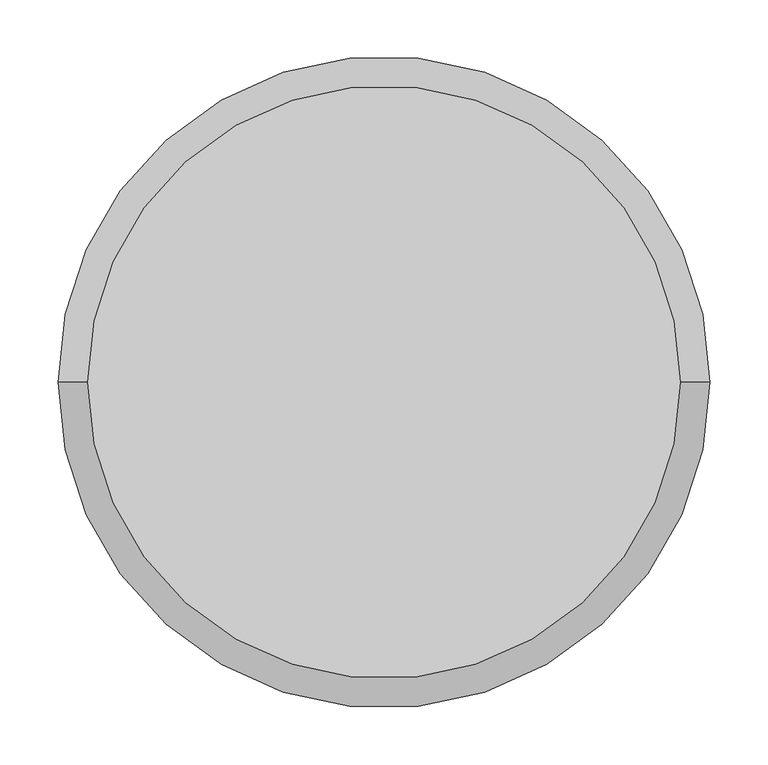
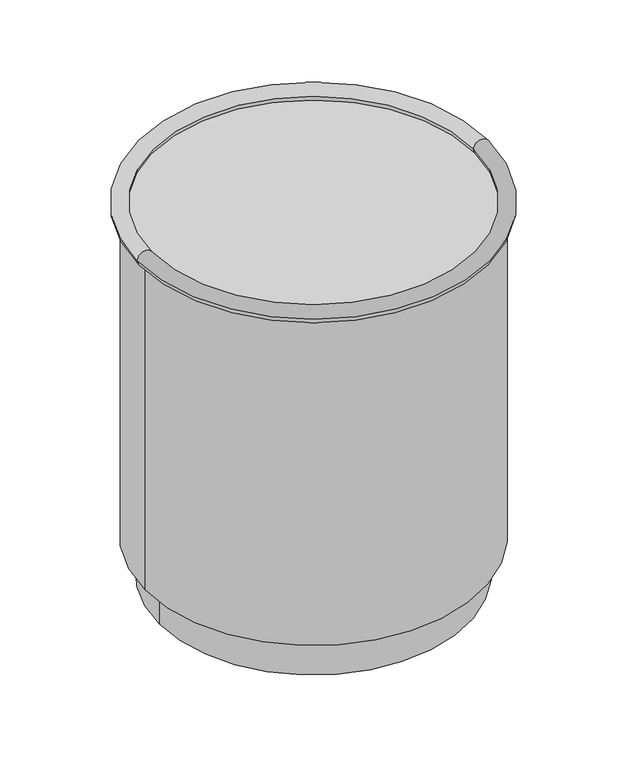
"""IFC4 building model written with IfcOpenShell, lengths in millimetres: furniture geometry."""

from ifc_helpers import new_model, si_unit, point, frame, origin, origin_with_axes, origin_2d, place, context, project, spatial, polyline, circle_curve, ellipse_curve, trimmed, segment, composite_curve, outline, extrude, source, transform, mapped, element, save
from ifc_brep_helpers import plane_surface, cylinder_surface, revolved_surface, advanced_brep


def furniture_e0415cc3(model_context):
    return source(origin(), model_context, "Body", "SolidModel", [
        extrude(outline(composite_curve([segment(trimmed(circle_curve(origin_2d(), 265.0), [point((-265.0, 0.0))], [point((265.0, 0.0))], False, "CARTESIAN"), True, "CONTINUOUS"), segment(trimmed(circle_curve(origin_2d(), 265.0), [point((265.0, 0.0))], [point((-265.0, 0.0))], False, "CARTESIAN"), True, "CONTINUOUS")], self_intersect=False)), frame((0.0, 0.0, 606.9604657), z_axis=(0.0, 0.0, 1.0), x_axis=(1.0, 0.0, 0.0)), (0.0, 0.0, 1.0), 3.0),
        advanced_brep(
        [(254.7977029, 0.0, 622.4488709), (-254.7977029, 0.0, 622.4488709), (-279.7745131, 0.0, 622.4488709), (279.7745131, 0.0, 622.4488709)],
        [
            (0, 1, circle_curve(frame((0.0, 0.0, 622.4488709), z_axis=(0.0, 0.0, -1.0), x_axis=(-1.0, 0.0, 0.0)), 254.7977029)),
            (1, 2, circle_curve(frame((-267.286108, 0.0, 622.4488709), z_axis=(0.0, -1.0, 0.0), x_axis=(1.0, 0.0, 0.0)), 12.4884051)),
            (2, 3, circle_curve(frame((0.0, 0.0, 622.4488709), z_axis=(0.0, 0.0, 1.0), x_axis=(-1.0, 0.0, 0.0)), 279.7745131)),
            (3, 0, circle_curve(frame((267.286108, 0.0, 622.4488709), z_axis=(0.0, -1.0, 0.0), x_axis=(-1.0, 0.0, 0.0)), 12.4884051)),
            (2, 1, circle_curve(frame((-267.286108, 0.0, 622.4488709), z_axis=(0.0, -1.0, 0.0), x_axis=(1.0, 0.0, 0.0)), 12.4884051)),
            (0, 3, circle_curve(frame((267.286108, 0.0, 622.4488709), z_axis=(0.0, -1.0, 0.0), x_axis=(-1.0, 0.0, 0.0)), 12.4884051)),
            (1, 0, circle_curve(frame((0.0, 0.0, 622.4488709), z_axis=(0.0, 0.0, -1.0), x_axis=(1.0, 0.0, 0.0)), 254.7977029)),
            (3, 2, circle_curve(frame((0.0, 0.0, 622.4488709), z_axis=(0.0, 0.0, 1.0), x_axis=(1.0, 0.0, 0.0)), 279.7745131)),
        ],
        [
            revolved_surface(trimmed(ellipse_curve(frame((-267.286108, 0.0, 622.4488709), z_axis=(0.0, 1.0, 0.0), x_axis=(1.0, 0.0, 0.0)), 12.4884051, 12.4884051), [point((-279.7745131, 0.0, 622.4488709))], [point((-254.7977029, 0.0, 622.4488709))], True, "CARTESIAN"), (0.0, 0.0, 0.0), (0.0, 0.0, 1.0)),
            revolved_surface(trimmed(ellipse_curve(frame((-267.286108, 0.0, 622.4488709), z_axis=(0.0, 1.0, 0.0), x_axis=(1.0, 0.0, 0.0)), 12.4884051, 12.4884051), [point((-254.7977029, 0.0, 622.4488709))], [point((-279.7745131, 0.0, 622.4488709))], True, "CARTESIAN"), (0.0, 0.0, 0.0), (0.0, 0.0, 1.0)),
            revolved_surface(trimmed(ellipse_curve(frame((267.286108, 0.0, 622.4488709), z_axis=(0.0, -1.0, 0.0), x_axis=(-1.0, 0.0, 0.0)), 12.4884051, 12.4884051), [point((279.7745131, 0.0, 622.4488709))], [point((254.7977029, 0.0, 622.4488709))], True, "CARTESIAN"), (0.0, 0.0, 0.0), (0.0, 0.0, 1.0)),
            revolved_surface(trimmed(ellipse_curve(frame((267.286108, 0.0, 622.4488709), z_axis=(0.0, -1.0, 0.0), x_axis=(-1.0, 0.0, 0.0)), 12.4884051, 12.4884051), [point((254.7977029, 0.0, 622.4488709))], [point((279.7745131, 0.0, 622.4488709))], True, "CARTESIAN"), (0.0, 0.0, 0.0), (0.0, 0.0, 1.0)),
        ],
        [
            (0, [[1, 2, 3, 4]]),
            (1, [[-3, 5, -1, 6]]),
            (2, [[7, -4, 8, -2]]),
            (3, [[-8, -6, -7, -5]]),
        ],
    ),
        advanced_brep(
        [(-267.5, 0.0, 609.9604657), (267.5, 0.0, 609.9604657), (-264.5, 0.0, 609.9604657), (264.5, 0.0, 609.9604657), (-267.5, 0.0, 65.0726673), (267.5, 0.0, 65.0726673), (245.0, 0.0, 65.0726673), (-245.0, 0.0, 65.0726673), (-264.5, 0.0, 68.0726673), (264.5, 0.0, 68.0726673), (-245.0, 0.0, 0.0), (245.0, 0.0, 0.0)],
        [
            (0, 1, circle_curve(frame((0.0, 0.0, 609.9604657), z_axis=(0.0, 0.0, 1.0), x_axis=(1.0, 0.0, 0.0)), 267.5)),
            (1, 0, circle_curve(frame((0.0, 0.0, 609.9604657), z_axis=(0.0, 0.0, 1.0), x_axis=(1.0, 0.0, 0.0)), 267.5)),
            (2, 3, circle_curve(frame((0.0, 0.0, 609.9604657), z_axis=(0.0, 0.0, -1.0), x_axis=(1.0, 0.0, 0.0)), 264.5)),
            (3, 2, circle_curve(frame((0.0, 0.0, 609.9604657), z_axis=(0.0, 0.0, -1.0), x_axis=(1.0, 0.0, 0.0)), 264.5)),
            (4, 5, circle_curve(frame((0.0, 0.0, 65.0726673), z_axis=(0.0, 0.0, -1.0), x_axis=(1.0, 0.0, 0.0)), 267.5)),
            (5, 4, circle_curve(frame((0.0, 0.0, 65.0726673), z_axis=(0.0, 0.0, -1.0), x_axis=(1.0, 0.0, 0.0)), 267.5)),
            (6, 7, circle_curve(frame((0.0, 0.0, 65.0726673), z_axis=(0.0, 0.0, 1.0), x_axis=(1.0, 0.0, 0.0)), 245.0)),
            (7, 6, circle_curve(frame((0.0, 0.0, 65.0726673), z_axis=(0.0, 0.0, 1.0), x_axis=(1.0, 0.0, 0.0)), 245.0)),
            (0, 4),
            (5, 1),
            (2, 8),
            (8, 9, circle_curve(frame((0.0, 0.0, 68.0726673), z_axis=(0.0, 0.0, -1.0), x_axis=(1.0, 0.0, 0.0)), 264.5)),
            (9, 3),
            (9, 8, circle_curve(frame((0.0, 0.0, 68.0726673), z_axis=(0.0, 0.0, -1.0), x_axis=(1.0, 0.0, 0.0)), 264.5)),
            (10, 11, circle_curve(frame((0.0, 0.0, 0.0), z_axis=(0.0, 0.0, -1.0), x_axis=(1.0, 0.0, 0.0)), 245.0)),
            (11, 10, circle_curve(frame((0.0, 0.0, 0.0), z_axis=(0.0, 0.0, -1.0), x_axis=(1.0, 0.0, 0.0)), 245.0)),
            (10, 7),
            (6, 11),
        ],
        [
            plane_surface(frame((267.5, 0.0, 609.9604657), z_axis=(0.0, 0.0, 1.0), x_axis=(0.0, 1.0, 0.0))),
            plane_surface(frame((267.5, 0.0, 65.0726673), z_axis=(0.0, 0.0, -1.0), x_axis=(0.0, -1.0, 0.0))),
            cylinder_surface(frame((0.0, 0.0, 65.0726673), z_axis=(0.0, 0.0, 1.0), x_axis=(1.0, 0.0, 0.0)), 267.5),
            revolved_surface(polyline([(264.5, 0.0, 68.0726673), (264.5, 0.0, 609.9604657)]), (0.0, 0.0, 0.0), (0.0, 0.0, -1.0)),
            plane_surface(frame((264.5, 0.0, 68.0726673), z_axis=(0.0, 0.0, 1.0), x_axis=(0.0, 1.0, 0.0))),
            plane_surface(frame((245.0, 0.0, 0.0), z_axis=(0.0, 0.0, -1.0), x_axis=(0.0, -1.0, 0.0))),
            cylinder_surface(origin_with_axes(), 245.0),
        ],
        [
            (0, [[1, 2], [3, 4]]),
            (1, [[5, 6], [7, 8]]),
            (2, [[-1, 9, -6, 10]]),
            (2, [[-2, -10, -5, -9]]),
            (3, [[-3, 11, 12, 13]]),
            (3, [[-4, -13, 14, -11]]),
            (4, [[-12, -14]]),
            (5, [[15, 16]]),
            (6, [[-15, 17, -7, 18]]),
            (6, [[-16, -18, -8, -17]]),
        ],
    ),
    ])


if __name__ == "__main__":
    model = new_model("IFC4")
    model_context = context("Model", 3, world=origin())
    ifc_project = project(units=[si_unit("LENGTHUNIT", "METRE", prefix="MILLI")], contexts=[model_context])
    site = spatial("IfcSite", under=ifc_project)
    building = spatial("IfcBuilding", under=site)
    placement = place(None, origin())
    furniture_shape = furniture_e0415cc3(model_context)
    element("IfcFurniture", 1, at=placement, inside=building, context=model_context, shape_type="MappedRepresentation", body=[
        mapped(furniture_shape, transform((0.0, 0.0, 0.0), x_axis=(1.0, 0.0, 0.0), y_axis=(0.0, 1.0, 0.0), z_axis=(0.0, 0.0, 1.0))),
    ])
    save(model, "model.ifc")
